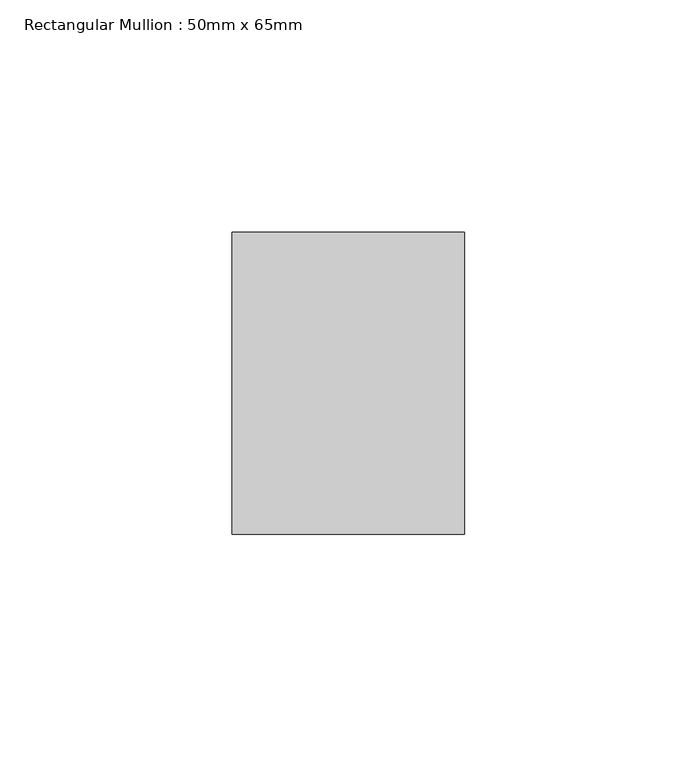
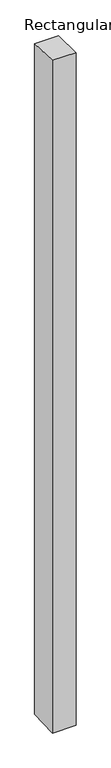
"""IFC4 building model written with IfcOpenShell, lengths in millimetres: member geometry, Rectangular Mullion : 50mm x 65mm."""

from ifc_helpers import new_model, si_unit, origin, place, context, project, spatial, faceted_brep, source, transform, mapped, element, save


def rectangular_mullion_50mm_x_65mm_aea80caa(model_context):
    return source(origin(), model_context, "Body", "Brep", [
        faceted_brep([(-25.0, 32.5, -1.1419446), (25.0, 32.5, -1.1419568), (25.0, 32.5, -1498.5320856), (-25.0, 32.5, -1498.5321012), (-25.0, -32.5, 1.1419568), (-25.0, -32.5, -1501.4674524), (25.0, -32.5, 1.1419446), (25.0, -32.5, -1501.4674368)], [[[0, 1, 2, 3]], [[4, 0, 3, 5]], [[6, 4, 5, 7]], [[1, 6, 7, 2]], [[1, 0, 4, 6]], [[2, 7, 5, 3]]]),
    ])


if __name__ == "__main__":
    model = new_model("IFC4")
    model_context = context("Model", 3, world=origin())
    ifc_project = project(units=[si_unit("LENGTHUNIT", "METRE", prefix="MILLI")], contexts=[model_context])
    site = spatial("IfcSite", under=ifc_project)
    building = spatial("IfcBuilding", under=site)
    placement = place(None, origin())
    rectangular_mullion_50mm_x_65mm_shape = rectangular_mullion_50mm_x_65mm_aea80caa(model_context)
    element("IfcMember", 1, ObjectType="Rectangular Mullion : 50mm x 65mm", at=placement, inside=building, context=model_context, shape_type="MappedRepresentation", body=[
        mapped(rectangular_mullion_50mm_x_65mm_shape, transform((0.0, 0.0, 0.0), x_axis=(1.0, 0.0, 0.0), y_axis=(0.0, 1.0, 0.0), z_axis=(0.0, 0.0, 1.0))),
    ])
    save(model, "model.ifc")
